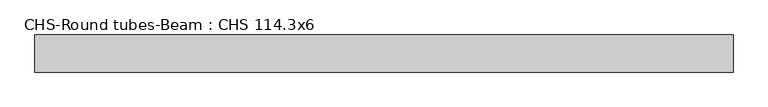
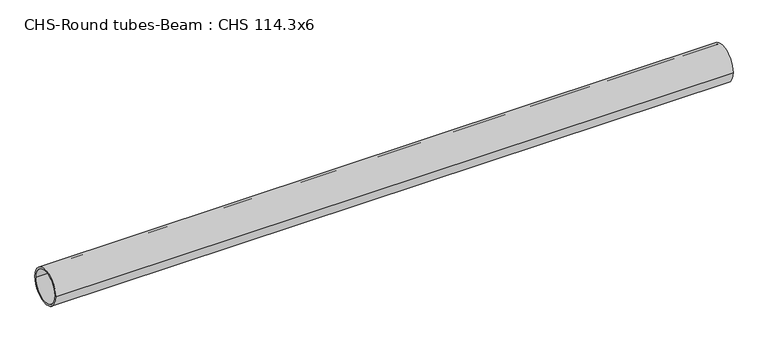
"""IFC4 building model written with IfcOpenShell, lengths in millimetres: beam geometry, CHS-Round tubes-Beam : CHS 114.3x6."""

from ifc_helpers import new_model, si_unit, point, frame, origin, origin_2d, place, context, project, spatial, circle_curve, trimmed, segment, composite_curve, outline, extrude, source, transform, mapped, element, save


def chs_round_tubes_beam_chs_114_3x6_59e240ef(model_context):
    return source(origin(), model_context, "Body", "SweptSolid", [
        extrude(outline(composite_curve([segment(trimmed(circle_curve(origin_2d(), 57.15), [point((57.15, 0.0))], [point((-57.15, 0.0))], False, "CARTESIAN"), True, "CONTINUOUS"), segment(trimmed(circle_curve(origin_2d(), 57.15), [point((-57.15, 0.0))], [point((57.15, 0.0))], False, "CARTESIAN"), True, "CONTINUOUS")], self_intersect=False), holes=[composite_curve([segment(trimmed(circle_curve(origin_2d(), 51.15), [point((51.15, 0.0))], [point((-51.15, 0.0))], True, "CARTESIAN"), True, "CONTINUOUS"), segment(trimmed(circle_curve(origin_2d(), 51.15), [point((-51.15, 0.0))], [point((51.15, 0.0))], True, "CARTESIAN"), True, "CONTINUOUS")], self_intersect=False)]), frame((-968.0666523, 0.0, 0.0), z_axis=(1.0, 0.0, 0.0), x_axis=(0.0, 1.0, 0.0)), (0.0, 0.0, 1.0), 2149.531648),
    ])


if __name__ == "__main__":
    model = new_model("IFC4")
    model_context = context("Model", 3, world=origin())
    ifc_project = project(units=[si_unit("LENGTHUNIT", "METRE", prefix="MILLI")], contexts=[model_context])
    site = spatial("IfcSite", under=ifc_project)
    building = spatial("IfcBuilding", under=site)
    placement = place(None, origin())
    chs_round_tubes_beam_chs_114_3x6_shape = chs_round_tubes_beam_chs_114_3x6_59e240ef(model_context)
    element("IfcBeam", 1, ObjectType="CHS-Round tubes-Beam : CHS 114.3x6", at=placement, inside=building, context=model_context, shape_type="MappedRepresentation", body=[
        mapped(chs_round_tubes_beam_chs_114_3x6_shape, transform((0.0, 0.0, 0.0), x_axis=(1.0, 0.0, 0.0), y_axis=(0.0, 1.0, 0.0), z_axis=(0.0, 0.0, 1.0))),
    ])
    save(model, "model.ifc")
